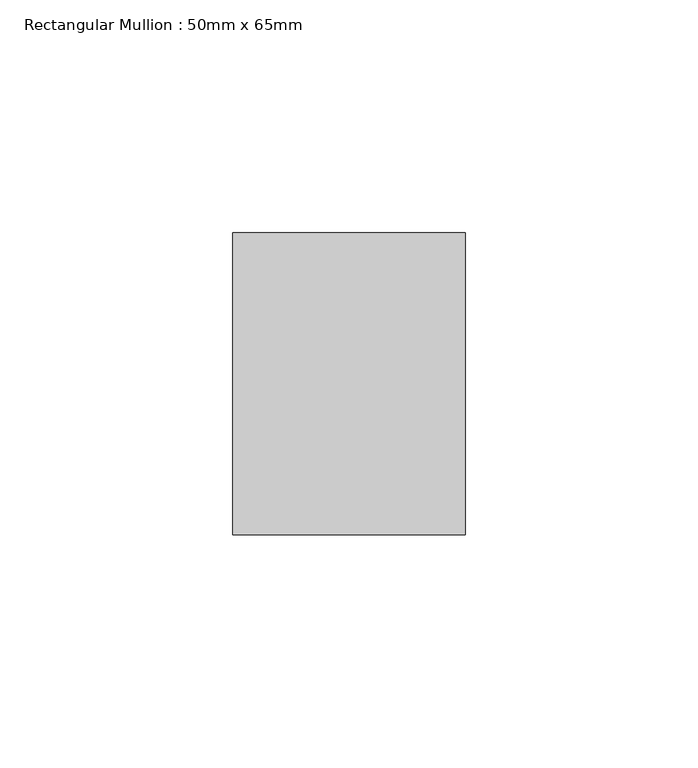
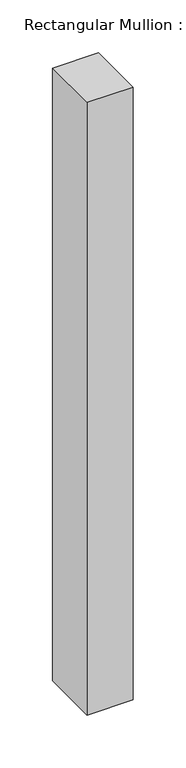
"""IFC4 building model written with IfcOpenShell, lengths in millimetres: member geometry, Rectangular Mullion : 50mm x 65mm."""

from ifc_helpers import new_model, si_unit, frame, origin, place, context, project, spatial, polyline, outline, extrude, source, transform, mapped, element, save


def rectangular_mullion_50mm_x_65mm_af45f813(model_context):
    return source(origin(), model_context, "Body", "SweptSolid", [
        extrude(outline(polyline([(25.0, 32.5), (25.0, -32.5), (-25.0, -32.5), (-25.0, 32.5), (25.0, 32.5)])), frame((0.0, 0.0, -705.7729312), z_axis=(0.0, 0.0, 1.0), x_axis=(1.0, 0.0, 0.0)), (0.0, 0.0, 1.0), 705.7729312),
    ])


if __name__ == "__main__":
    model = new_model("IFC4")
    model_context = context("Model", 3, world=origin())
    ifc_project = project(units=[si_unit("LENGTHUNIT", "METRE", prefix="MILLI")], contexts=[model_context])
    site = spatial("IfcSite", under=ifc_project)
    building = spatial("IfcBuilding", under=site)
    placement = place(None, origin())
    rectangular_mullion_50mm_x_65mm_shape = rectangular_mullion_50mm_x_65mm_af45f813(model_context)
    element("IfcMember", 1, ObjectType="Rectangular Mullion : 50mm x 65mm", at=placement, inside=building, context=model_context, shape_type="MappedRepresentation", body=[
        mapped(rectangular_mullion_50mm_x_65mm_shape, transform((0.0, 0.0, 0.0), x_axis=(1.0, 0.0, 0.0), y_axis=(0.0, 1.0, 0.0), z_axis=(0.0, 0.0, 1.0))),
    ])
    save(model, "model.ifc")
